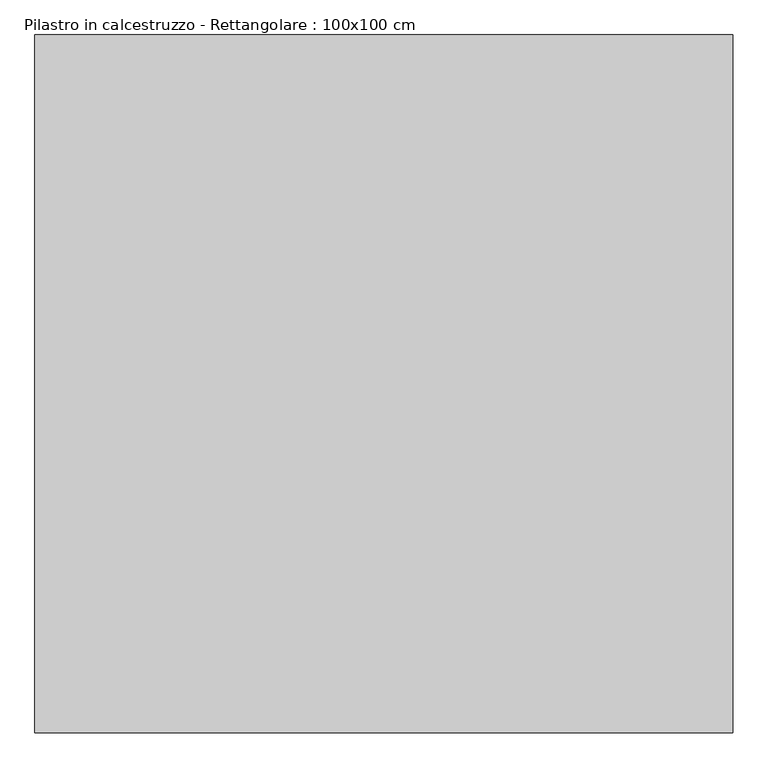
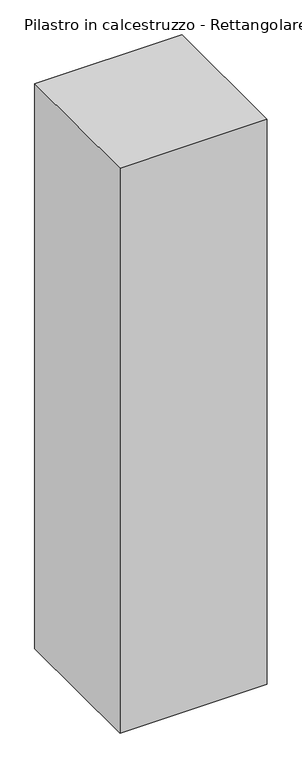
"""IFC4 building model written with IfcOpenShell, lengths in millimetres: column geometry, Pilastro in calcestruzzo - Rettangolare : 100x100 cm."""

from ifc_helpers import new_model, si_unit, frame, origin, place, context, project, spatial, polyline, outline, extrude, source, transform, mapped, element, save


def pilastro_in_calcestruzzo_rettangolare_100x100_cm_1ffd032d(model_context):
    return source(origin(), model_context, "Body", "SweptSolid", [
        extrude(outline(polyline([(500.0, 500.0), (500.0, -500.0), (-500.0, -500.0), (-500.0, 500.0), (500.0, 500.0)])), frame((0.0, 0.0, -8000.0), z_axis=(0.0, 0.0, 1.0), x_axis=(1.0, 0.0, 0.0)), (0.0, 0.0, 1.0), 4050.0),
    ])


if __name__ == "__main__":
    model = new_model("IFC4")
    model_context = context("Model", 3, world=origin())
    ifc_project = project(units=[si_unit("LENGTHUNIT", "METRE", prefix="MILLI")], contexts=[model_context])
    site = spatial("IfcSite", under=ifc_project)
    building = spatial("IfcBuilding", under=site)
    placement = place(None, origin())
    pilastro_in_calcestruzzo_rettangolare_100x100_cm_shape = pilastro_in_calcestruzzo_rettangolare_100x100_cm_1ffd032d(model_context)
    element("IfcColumn", 1, ObjectType="Pilastro in calcestruzzo - Rettangolare : 100x100 cm", at=placement, inside=building, context=model_context, shape_type="MappedRepresentation", body=[
        mapped(pilastro_in_calcestruzzo_rettangolare_100x100_cm_shape, transform((0.0, 0.0, 0.0), x_axis=(1.0, 0.0, 0.0), y_axis=(0.0, 1.0, 0.0), z_axis=(0.0, 0.0, 1.0))),
    ])
    save(model, "model.ifc")
